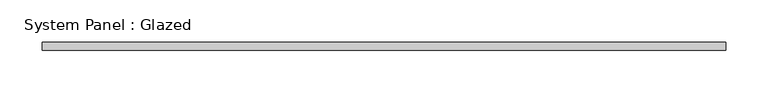
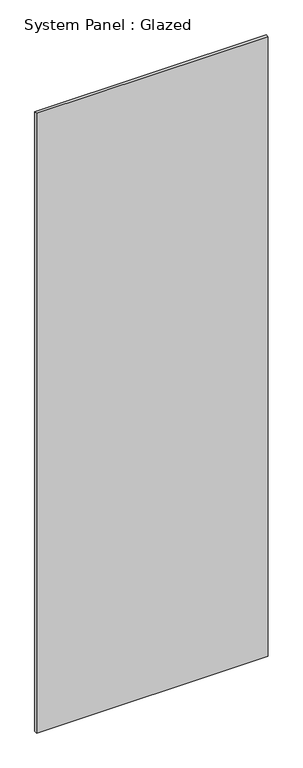
"""IFC4 building model written with IfcOpenShell, lengths in millimetres: plate geometry, System Panel : Glazed."""

from ifc_helpers import new_model, si_unit, origin, origin_with_axes, place, context, project, spatial, polyline, outline, extrude, source, transform, mapped, element, save


def system_panel_glazed_5ceebc61(model_context):
    return source(origin(), model_context, "Body", "SweptSolid", [
        extrude(outline(polyline([(406.492375, -5.0), (-406.492375, -5.0), (-406.492375, 5.0), (406.492375, 5.0), (406.492375, -5.0)])), origin_with_axes(), (0.0, 0.0, 1.0), 2300.0),
    ])


if __name__ == "__main__":
    model = new_model("IFC4")
    model_context = context("Model", 3, world=origin())
    ifc_project = project(units=[si_unit("LENGTHUNIT", "METRE", prefix="MILLI")], contexts=[model_context])
    site = spatial("IfcSite", under=ifc_project)
    building = spatial("IfcBuilding", under=site)
    placement = place(None, origin())
    system_panel_glazed_shape = system_panel_glazed_5ceebc61(model_context)
    element("IfcPlate", 1, ObjectType="System Panel : Glazed", at=placement, inside=building, context=model_context, shape_type="MappedRepresentation", body=[
        mapped(system_panel_glazed_shape, transform((0.0, 0.0, 0.0), x_axis=(1.0, 0.0, 0.0), y_axis=(0.0, 1.0, 0.0), z_axis=(0.0, 0.0, 1.0))),
    ])
    save(model, "model.ifc")
